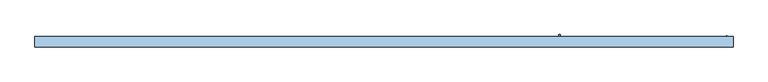
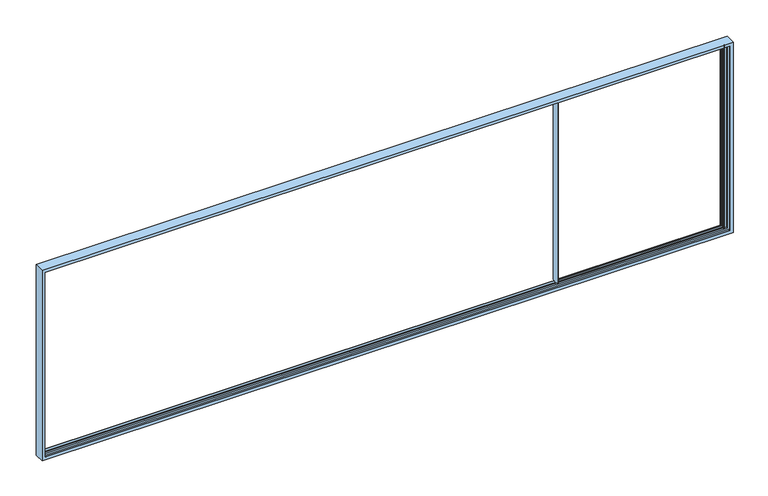
"""IFC4 building model written with IfcOpenShell, lengths in millimetres: window geometry."""

from ifc_helpers import new_model, si_unit, frame, origin, place, context, project, spatial, polyline, circle_curve, faceted_brep, source, transform, mapped, element, save
from ifc_brep_helpers import plane_surface, cylinder_surface, revolved_surface, advanced_brep


def window_27949540(model_context):
    return source(origin(), model_context, "Body", "SolidModel", [
        advanced_brep(
        [(6100.0, 23.3, 843.125), (6100.0, -45.5, 843.125), (6100.0, -45.5, 857.0), (6100.0, -71.5030983, 857.0), (6100.0, -71.5030983, 4239.9999325), (6100.0, -45.5, 4239.9999325), (6100.0, -45.5, 4257.5), (6100.0, 23.3, 4257.5), (6100.0, 23.3, 4239.9999325), (6100.0, 65.3, 4239.9999325), (6100.0, 65.3, 857.0), (6100.0, 23.3, 857.0), (9067.0, 23.3, 843.125), (9067.0, -45.5, 843.125), (9067.0, -45.5, 869.1), (9055.5, -45.5, 869.1), (9055.5, -45.5, 4231.5), (9067.0, -45.5, 4231.5), (9067.0, -45.5, 4257.5), (6111.6, -45.5, 4239.9999325), (6111.6, -45.5, 857.0), (6125.0, -45.5, 869.1), (6125.0, -45.5, 4231.5), (8984.5, -45.5, 4231.5), (8984.5, -45.5, 869.1), (8986.5, -45.5, 4239.9999325), (8991.8815605, -45.5, 4239.9999325), (8991.8815605, -45.5, 860.0000675), (8986.5, -45.5, 860.0000675), (6125.0, 65.3, 857.0), (6125.0, 23.3, 857.0), (6111.6, -71.5030983, 857.0), (6111.6, -71.5030983, 4239.9999325), (6125.0, 65.3, 4239.9999325), (9067.0, 23.3, 869.1), (6125.0, 23.3, 869.1), (8984.5, 23.3, 869.1), (8984.5, 23.3, 4231.5), (6125.0, 23.3, 4231.5), (6125.0, 23.3, 4239.9999325), (9067.0, 23.3, 4257.5), (9067.0, 23.3, 4231.5), (9055.5, 23.3, 4231.5), (9055.5, 23.3, 869.1), (8991.8815605, 23.3, 4239.9999325), (8986.5, 23.3, 4239.9999325), (8986.5, 23.3, 860.0000675), (8991.8815605, 23.3, 860.0000675), (9067.0, 16.0, 869.1), (9067.0, 16.0, 857.0), (9067.0, -38.0, 857.0), (9067.0, -38.0, 869.1), (9055.5, 16.0, 869.1), (9055.5, 16.0, 860.0000675), (8998.5, 16.0, 860.0000675), (8998.5, 16.0, 4239.9999325), (8984.5, 16.0, 4239.9999325), (8984.5, 16.0, 869.1), (6125.0, 16.0, 869.1), (6125.0, 16.0, 4239.9999325), (6113.0, 16.0, 4239.9999325), (6113.0, 16.0, 857.0), (6113.0, -38.0, 857.0), (6113.0, -38.0, 4239.9999325), (8998.5, -38.0, 4239.9999325), (8998.5, -38.0, 860.0000675), (9055.5, -38.0, 860.0000675), (9055.5, -38.0, 869.1), (8984.5, -38.0, 869.1), (8984.5, -38.0, 4231.5), (6125.0, -38.0, 4231.5), (6125.0, -38.0, 869.1), (9067.0, -38.0, 4239.9999325), (9067.0, -38.0, 4231.5), (9055.5, -38.0, 4231.5), (9055.5, -38.0, 4239.9999325), (9055.5, 20.1, 4231.5), (9055.5, 20.1, 4239.9999325), (6125.0, 20.1, 4231.5), (6125.0, 20.1, 4239.9999325), (8984.5, 20.1, 4239.9999325), (8984.5, 20.1, 4231.5), (8984.6310857, 29.8176786, 4239.9999325), (8984.6310857, 29.8176786, 860.0000675), (8984.6310857, 32.374499, 860.0000675), (8989.2836563, 47.5923717, 860.0000675), (8990.2399611, 48.3, 860.0000675), (8993.0, 48.3, 860.0000675), (8993.4747822, 47.6432139, 860.0000675), (8987.739631, 32.2330365, 860.0000675), (8987.626431, 30.2555341, 860.0000675), (8988.9977754, 25.4730879, 860.0000675), (8988.9977754, -47.6730879, 860.0000675), (8987.626431, -52.4555341, 860.0000675), (8987.739631, -54.4330365, 860.0000675), (8993.4747822, -69.8432139, 860.0000675), (8993.0, -70.5, 860.0000675), (8990.2399611, -70.5, 860.0000675), (8989.2836563, -69.7923717, 860.0000675), (8984.6310857, -54.574499, 860.0000675), (8984.6310857, -52.0176786, 860.0000675), (8988.9977754, 25.4730879, 4239.9999325), (8988.9977754, -47.6730879, 4239.9999325), (8984.6310857, -52.0176786, 4239.9999325), (8987.626431, -52.4555341, 4239.9999325), (8987.739631, -54.4330365, 4239.9999325), (8993.4747822, -69.8432139, 4239.9999325), (8993.0, -70.5, 4239.9999325), (8990.2399611, -70.5, 4239.9999325), (8989.2836563, -69.7923717, 4239.9999325), (8984.6310857, -54.574499, 4239.9999325), (8984.6310857, 32.374499, 4239.9999325), (8989.2836563, 47.5923717, 4239.9999325), (8990.2399611, 48.3, 4239.9999325), (8993.0, 48.3, 4239.9999325), (8993.4747822, 47.6432139, 4239.9999325), (8987.739631, 32.2330365, 4239.9999325), (8987.626431, 30.2555341, 4239.9999325), (9067.0, 20.1, 4231.5), (9067.0, 20.1, 4239.9999325)],
        [
            (0, 1),
            (1, 2),
            (2, 3),
            (3, 4),
            (4, 5),
            (5, 6),
            (6, 7),
            (7, 8),
            (8, 9),
            (9, 10),
            (10, 11),
            (11, 0),
            (0, 12),
            (12, 13),
            (13, 1),
            (13, 14),
            (14, 15),
            (15, 16),
            (16, 17),
            (17, 18),
            (18, 6),
            (5, 19),
            (19, 20),
            (20, 2),
            (21, 22),
            (22, 23),
            (23, 24),
            (24, 21),
            (25, 26),
            (26, 27),
            (27, 28),
            (28, 25),
            (10, 29),
            (29, 30),
            (30, 11),
            (20, 31),
            (31, 3),
            (32, 4),
            (31, 32),
            (9, 33),
            (33, 29),
            (34, 12),
            (30, 35),
            (35, 36),
            (36, 37),
            (37, 38),
            (38, 39),
            (39, 8),
            (7, 40),
            (40, 41),
            (41, 42),
            (42, 43),
            (43, 34),
            (44, 45),
            (45, 46),
            (46, 47),
            (47, 44),
            (48, 49),
            (49, 50),
            (50, 51),
            (51, 14),
            (34, 48),
            (48, 52),
            (52, 53),
            (53, 54),
            (54, 55),
            (55, 56),
            (56, 57),
            (57, 58),
            (58, 59),
            (59, 60),
            (60, 61),
            (61, 49),
            (61, 62),
            (62, 50),
            (62, 63),
            (63, 64),
            (64, 65),
            (65, 66),
            (66, 67),
            (67, 51),
            (68, 69),
            (69, 70),
            (70, 71),
            (71, 68),
            (72, 73),
            (73, 74),
            (74, 75),
            (75, 72),
            (67, 15),
            (71, 21),
            (24, 68),
            (43, 52),
            (35, 58),
            (57, 36),
            (66, 53),
            (42, 76),
            (76, 77),
            (77, 75),
            (74, 16),
            (33, 39),
            (38, 78),
            (78, 79),
            (79, 59),
            (56, 80),
            (80, 81),
            (81, 37),
            (45, 82),
            (82, 83),
            (83, 46),
            (83, 84, circle_curve(frame((8989.0894319, 31.0960888, 860.0000675), z_axis=(0.0, 0.0, -1.0), x_axis=(0.0, -1.0, 0.0)), 4.638015)),
            (84, 85),
            (85, 86, circle_curve(frame((8990.2399611, 47.3, 860.0000675), z_axis=(0.0, 0.0, -1.0), x_axis=(0.0, -1.0, 0.0)), 1.0)),
            (86, 87),
            (87, 88, circle_curve(frame((8993.0, 47.8, 860.0000675), z_axis=(0.0, 0.0, -1.0), x_axis=(0.0, -1.0, 0.0)), 0.5)),
            (88, 89, circle_curve(frame((8784.3068415, 116.7162025, 860.0000675), z_axis=(0.0, 0.0, -1.0), x_axis=(0.0, -1.0, 0.0)), 220.2777909)),
            (89, 90, circle_curve(frame((8990.5102161, 31.0824462, 860.0000675), z_axis=(0.0, 0.0, 1.0), x_axis=(0.0, -1.0, 0.0)), 3.0)),
            (90, 91),
            (91, 47, circle_curve(frame((8991.8815605, 26.3, 860.0000675), z_axis=(0.0, 0.0, 1.0), x_axis=(0.0, -1.0, 0.0)), 3.0)),
            (27, 92, circle_curve(frame((8991.8815605, -48.5, 860.0000675), z_axis=(0.0, 0.0, 1.0), x_axis=(0.0, -1.0, 0.0)), 3.0)),
            (92, 93),
            (93, 94, circle_curve(frame((8990.5102161, -53.2824462, 860.0000675), z_axis=(0.0, 0.0, 1.0), x_axis=(0.0, -1.0, 0.0)), 3.0)),
            (94, 95, circle_curve(frame((8784.3068415, -138.9162025, 860.0000675), z_axis=(0.0, 0.0, -1.0), x_axis=(0.0, -1.0, 0.0)), 220.2777909)),
            (95, 96, circle_curve(frame((8993.0, -70.0, 860.0000675), z_axis=(0.0, 0.0, -1.0), x_axis=(0.0, -1.0, 0.0)), 0.5)),
            (96, 97),
            (97, 98, circle_curve(frame((8990.2399611, -69.5, 860.0000675), z_axis=(0.0, 0.0, -1.0), x_axis=(0.0, -1.0, 0.0)), 1.0)),
            (98, 99),
            (99, 100, circle_curve(frame((8989.0894319, -53.2960888, 860.0000675), z_axis=(0.0, 0.0, -1.0), x_axis=(0.0, -1.0, 0.0)), 4.638015)),
            (100, 28),
            (65, 54),
            (101, 44, circle_curve(frame((8991.8815605, 26.3, 4239.9999325), z_axis=(0.0, 0.0, 1.0), x_axis=(0.0, -1.0, 0.0)), 3.0)),
            (91, 101),
            (19, 32),
            (70, 22),
            (23, 69),
            (26, 102, circle_curve(frame((8991.8815605, -48.5, 4239.9999325), z_axis=(0.0, 0.0, 1.0), x_axis=(0.0, -1.0, 0.0)), 3.0)),
            (102, 92),
            (103, 25),
            (100, 103),
            (60, 63),
            (64, 55),
            (102, 104),
            (104, 93),
            (104, 105, circle_curve(frame((8990.5102161, -53.2824462, 4239.9999325), z_axis=(0.0, 0.0, 1.0), x_axis=(0.0, -1.0, 0.0)), 3.0)),
            (105, 94),
            (105, 106, circle_curve(frame((8784.3068415, -138.9162025, 4239.9999325), z_axis=(0.0, 0.0, -1.0), x_axis=(0.0, -1.0, 0.0)), 220.2777909)),
            (106, 95),
            (106, 107, circle_curve(frame((8993.0, -70.0, 4239.9999325), z_axis=(0.0, 0.0, -1.0), x_axis=(0.0, -1.0, 0.0)), 0.5)),
            (107, 96),
            (107, 108),
            (108, 97),
            (108, 109, circle_curve(frame((8990.2399611, -69.5, 4239.9999325), z_axis=(0.0, 0.0, -1.0), x_axis=(0.0, -1.0, 0.0)), 1.0)),
            (109, 98),
            (109, 110),
            (110, 99),
            (110, 103, circle_curve(frame((8989.0894319, -53.2960888, 4239.9999325), z_axis=(0.0, 0.0, -1.0), x_axis=(0.0, -1.0, 0.0)), 4.638015)),
            (82, 111, circle_curve(frame((8989.0894319, 31.0960888, 4239.9999325), z_axis=(0.0, 0.0, -1.0), x_axis=(0.0, -1.0, 0.0)), 4.638015)),
            (111, 84),
            (111, 112),
            (112, 85),
            (112, 113, circle_curve(frame((8990.2399611, 47.3, 4239.9999325), z_axis=(0.0, 0.0, -1.0), x_axis=(0.0, -1.0, 0.0)), 1.0)),
            (113, 86),
            (113, 114),
            (114, 87),
            (114, 115, circle_curve(frame((8993.0, 47.8, 4239.9999325), z_axis=(0.0, 0.0, -1.0), x_axis=(0.0, -1.0, 0.0)), 0.5)),
            (115, 88),
            (115, 116, circle_curve(frame((8784.3068415, 116.7162025, 4239.9999325), z_axis=(0.0, 0.0, -1.0), x_axis=(0.0, -1.0, 0.0)), 220.2777909)),
            (116, 89),
            (116, 117, circle_curve(frame((8990.5102161, 31.0824462, 4239.9999325), z_axis=(0.0, 0.0, 1.0), x_axis=(0.0, -1.0, 0.0)), 3.0)),
            (117, 90),
            (117, 101),
            (18, 40),
            (81, 78),
            (41, 118),
            (118, 76),
            (17, 73),
            (72, 119),
            (119, 118),
            (77, 119),
            (79, 80),
        ],
        [
            plane_surface(frame((6100.0, 23.3, 869.1), z_axis=(-1.0, 0.0, 0.0), x_axis=(0.0, 1.0, 0.0))),
            plane_surface(frame((6100.0, 23.3, 843.125), z_axis=(0.0, 0.0, -1.0), x_axis=(1.0, 0.0, 0.0))),
            plane_surface(frame((6100.0, -45.5, 843.125), z_axis=(0.0, -1.0, 0.0), x_axis=(1.0, 0.0, 0.0))),
            plane_surface(frame((6100.0, -71.5030983, 857.0), z_axis=(0.0, 0.0, -1.0), x_axis=(-1.0, 0.0, 0.0))),
            plane_surface(frame((6100.0, -71.5030983, 4239.9999325), z_axis=(0.0, -1.0, 0.0), x_axis=(0.0, 0.0, -1.0))),
            plane_surface(frame((6125.0, 65.3, 4239.9999325), z_axis=(0.0, 1.0, 0.0), x_axis=(0.0, 0.0, -1.0))),
            plane_surface(frame((6100.0, 23.3, 869.1), z_axis=(0.0, 1.0, 0.0), x_axis=(1.0, 0.0, 0.0))),
            plane_surface(frame((9067.0, 23.3, 869.1), z_axis=(1.0, 0.0, 0.0), x_axis=(0.0, -1.0, 0.0))),
            plane_surface(frame((6100.0, 16.0, 857.0), z_axis=(0.0, -1.0, 0.0), x_axis=(1.0, 0.0, 0.0))),
            plane_surface(frame((6100.0, -38.0, 857.0), z_axis=(0.0, 0.0, 1.0), x_axis=(1.0, 0.0, 0.0))),
            plane_surface(frame((6100.0, -38.0, 869.1), z_axis=(0.0, 1.0, 0.0), x_axis=(1.0, 0.0, 0.0))),
            plane_surface(frame((6100.0, -45.5, 869.1), z_axis=(0.0, 0.0, 1.0), x_axis=(1.0, 0.0, 0.0))),
            plane_surface(frame((6100.0, 16.0, 869.1), z_axis=(0.0, 0.0, 1.0), x_axis=(1.0, 0.0, 0.0))),
            plane_surface(frame((9055.5, -45.5, 4239.9999325), z_axis=(1.0, 0.0, 0.0), x_axis=(0.0, 0.0, -1.0))),
            plane_surface(frame((6125.0, 16.0, 4239.9999325), z_axis=(1.0, 0.0, 0.0), x_axis=(0.0, 0.0, -1.0))),
            plane_surface(frame((8984.5, 23.3, 4239.9999325), z_axis=(-1.0, 0.0, 0.0), x_axis=(0.0, 0.0, -1.0))),
            plane_surface(frame((8984.6310857, 29.8176786, 4239.9999325), z_axis=(-0.9612616959382253, -0.27563735581732557, 0.0), x_axis=(0.0, 0.0, -1.0))),
            plane_surface(frame((8984.5, 100.0, 860.0000675), z_axis=(0.0, 0.0, -1.0), x_axis=(0.0, -1.0, 0.0))),
            revolved_surface(polyline([(8991.8815605, 23.3, 860.0000675000001), (8991.8815605, 23.3, 4239.9999325)]), (8991.8815605, 26.3, 4239.9999325), (0.0, 0.0, -1.0)),
            plane_surface(frame((6111.6, -71.5030983, 4239.9999325), z_axis=(1.0, 0.0, 0.0), x_axis=(0.0, 0.0, -1.0))),
            plane_surface(frame((6125.0, -45.5, 4239.9999325), z_axis=(1.0, 0.0, 0.0), x_axis=(0.0, 0.0, -1.0))),
            plane_surface(frame((8984.5, -38.0, 4239.9999325), z_axis=(-1.0, 0.0, 0.0), x_axis=(0.0, 0.0, -1.0))),
            revolved_surface(polyline([(8991.8815605, -51.5, 860.0000675000001), (8991.8815605, -51.5, 4239.9999325)]), (8991.8815605, -48.5, 4239.9999325), (0.0, 0.0, -1.0)),
            plane_surface(frame((8986.5, -45.5, 4239.9999325), z_axis=(-0.9612616959373593, 0.2756373558203459, 0.0), x_axis=(0.0, 0.0, -1.0))),
            plane_surface(frame((6113.0, -38.0, 4239.9999325), z_axis=(1.0, 0.0, 0.0), x_axis=(0.0, 0.0, -1.0))),
            plane_surface(frame((8998.5, 16.0, 4239.9999325), z_axis=(-1.0, 0.0, 0.0), x_axis=(0.0, 0.0, -1.0))),
            plane_surface(frame((8987.626431, -52.4555341, 4239.9999325), z_axis=(0.9612616959377401, -0.27563735581901766, 0.0), x_axis=(0.0, 0.0, -1.0))),
            revolved_surface(polyline([(8990.5102161, -56.2824462, 860.0000675000001), (8990.5102161, -56.2824462, 4239.9999325)]), (8990.5102161, -53.2824462, 4239.9999325), (0.0, 0.0, -1.0)),
            cylinder_surface(frame((8784.3068415, -138.9162025, 4239.9999325), z_axis=(0.0, 0.0, 1.0), x_axis=(0.0, -1.0, 0.0)), 220.2777909),
            cylinder_surface(frame((8993.0, -70.0, 4239.9999325), z_axis=(0.0, 0.0, 1.0), x_axis=(0.0, -1.0, 0.0)), 0.5),
            plane_surface(frame((8990.2399611, -70.5, 4239.9999325), z_axis=(0.0, -1.0, 0.0), x_axis=(0.0, 0.0, -1.0))),
            cylinder_surface(frame((8990.2399611, -69.5, 4239.9999325), z_axis=(0.0, 0.0, 1.0), x_axis=(0.0, -1.0, 0.0)), 1.0),
            plane_surface(frame((8984.6310857, -54.574499, 4239.9999325), z_axis=(-0.9563047559631576, -0.29237170472233776, 0.0), x_axis=(0.0, 0.0, -1.0))),
            cylinder_surface(frame((8989.0894319, -53.2960888, 4239.9999325), z_axis=(0.0, 0.0, 1.0), x_axis=(0.0, -1.0, 0.0)), 4.638015),
            cylinder_surface(frame((8989.0894319, 31.0960888, 4239.9999325), z_axis=(0.0, 0.0, 1.0), x_axis=(0.0, -1.0, 0.0)), 4.638015),
            plane_surface(frame((8989.2836563, 47.5923717, 4239.9999325), z_axis=(-0.9563047559631176, 0.2923717047224681, 0.0), x_axis=(0.0, 0.0, -1.0))),
            cylinder_surface(frame((8990.2399611, 47.3, 4239.9999325), z_axis=(0.0, 0.0, 1.0), x_axis=(0.0, -1.0, 0.0)), 1.0),
            plane_surface(frame((8993.0, 48.3, 4239.9999325), z_axis=(0.0, 1.0, 0.0), x_axis=(0.0, 0.0, -1.0))),
            cylinder_surface(frame((8993.0, 47.8, 4239.9999325), z_axis=(0.0, 0.0, 1.0), x_axis=(0.0, -1.0, 0.0)), 0.5),
            cylinder_surface(frame((8784.3068415, 116.7162025, 4239.9999325), z_axis=(0.0, 0.0, 1.0), x_axis=(0.0, -1.0, 0.0)), 220.2777909),
            revolved_surface(polyline([(8990.5102161, 28.0824462, 860.0000675000001), (8990.5102161, 28.0824462, 4239.9999325)]), (8990.5102161, 31.0824462, 4239.9999325), (0.0, 0.0, -1.0)),
            plane_surface(frame((8988.9977754, 25.4730879, 4239.9999325), z_axis=(0.9612616959385012, 0.2756373558163634, 0.0), x_axis=(0.0, 0.0, -1.0))),
            plane_surface(frame((6100.0, -71.5030983, 4239.9999325), z_axis=(0.0, 0.0, 1.0), x_axis=(1.0, 0.0, 0.0))),
            plane_surface(frame((6100.0, -45.5, 4257.5), z_axis=(0.0, 0.0, 1.0), x_axis=(1.0, 0.0, 0.0))),
            plane_surface(frame((6100.0, 23.3, 4231.5), z_axis=(0.0, 0.0, -1.0), x_axis=(1.0, 0.0, 0.0))),
            plane_surface(frame((9067.0, 23.3, 4257.5), z_axis=(1.0, 0.0, 0.0), x_axis=(0.0, -1.0, 0.0))),
            plane_surface(frame((8984.5, 100.0, 4239.9999325), z_axis=(0.0, 0.0, 1.0), x_axis=(0.0, -1.0, 0.0))),
            plane_surface(frame((6100.0, -38.0, 4231.5), z_axis=(0.0, 0.0, -1.0), x_axis=(1.0, 0.0, 0.0))),
            plane_surface(frame((6100.0, 20.1, 4239.9999325), z_axis=(0.0, 0.0, -1.0), x_axis=(1.0, 0.0, 0.0))),
            plane_surface(frame((6100.0, 20.1, 4231.5), z_axis=(0.0, -1.0, 0.0), x_axis=(1.0, 0.0, 0.0))),
        ],
        [
            (0, [[1, 2, 3, 4, 5, 6, 7, 8, 9, 10, 11, 12]]),
            (1, [[-1, 13, 14, 15]]),
            (2, [[16, 17, 18, 19, 20, 21, -6, 22, 23, 24, -2, -15], [25, 26, 27, 28], [29, 30, 31, 32]]),
            (3, [[33, 34, 35, -11]]),
            (3, [[36, 37, -3, -24]]),
            (4, [[38, -4, -37, 39]]),
            (5, [[40, 41, -33, -10]]),
            (6, [[42, -13, -12, -35, 43, 44, 45, 46, 47, 48, -8, 49, 50, 51, 52, 53], [54, 55, 56, 57]]),
            (7, [[58, 59, 60, 61, -16, -14, -42, 62]]),
            (8, [[-58, 63, 64, 65, 66, 67, 68, 69, 70, 71, 72, 73]]),
            (9, [[-59, -73, 74, 75]]),
            (10, [[-60, -75, 76, 77, 78, 79, 80, 81], [82, 83, 84, 85]]),
            (10, [[86, 87, 88, 89]]),
            (11, [[-61, -81, 90, -17]]),
            (11, [[91, -28, 92, -85]]),
            (12, [[-62, -53, 93, -63]]),
            (12, [[94, -69, 95, -44]]),
            (13, [[96, -64, -93, -52, 97, 98, 99, -88, 100, -18, -90, -80]]),
            (14, [[-41, 101, -47, 102, 103, 104, -70, -94, -43, -34]]),
            (15, [[-68, 105, 106, 107, -45, -95]]),
            (16, [[-55, 108, 109, 110]]),
            (17, [[-110, 111, 112, 113, 114, 115, 116, 117, 118, 119, -56]]),
            (17, [[120, 121, 122, 123, 124, 125, 126, 127, 128, 129, -31]]),
            (17, [[130, -65, -96, -79]]),
            (18, [[131, -57, -119, 132]]),
            (19, [[-23, 133, -39, -36]]),
            (20, [[-91, -84, 134, -25]]),
            (21, [[-92, -27, 135, -82]]),
            (22, [[-30, 136, 137, -120]]),
            (23, [[138, -32, -129, 139]]),
            (24, [[-76, -74, -72, 140]]),
            (25, [[-130, -78, 141, -66]]),
            (26, [[142, 143, -121, -137]]),
            (27, [[144, 145, -122, -143]]),
            (28, [[146, 147, -123, -145]]),
            (29, [[148, 149, -124, -147]]),
            (30, [[150, 151, -125, -149]]),
            (31, [[152, 153, -126, -151]]),
            (32, [[154, 155, -127, -153]]),
            (33, [[156, -139, -128, -155]]),
            (34, [[157, 158, -111, -109]]),
            (35, [[159, 160, -112, -158]]),
            (36, [[161, 162, -113, -160]]),
            (37, [[163, 164, -114, -162]]),
            (38, [[165, 166, -115, -164]]),
            (39, [[167, 168, -116, -166]]),
            (40, [[169, 170, -117, -168]]),
            (41, [[171, -132, -118, -170]]),
            (42, [[-38, -133, -22, -5]]),
            (42, [[-40, -9, -48, -101]]),
            (43, [[-7, -21, 172, -49]]),
            (44, [[-46, -107, 173, -102]]),
            (44, [[174, 175, -97, -51]]),
            (45, [[-20, 176, -86, 177, 178, -174, -50, -172]]),
            (46, [[-131, -171, -169, -167, -165, -163, -161, -159, -157, -108, -54]]),
            (46, [[-138, -156, -154, -152, -150, -148, -146, -144, -142, -136, -29]]),
            (47, [[-26, -134, -83, -135]]),
            (47, [[-176, -19, -100, -87]]),
            (48, [[-177, -89, -99, 179]]),
            (48, [[180, -105, -67, -141, -77, -140, -71, -104]]),
            (49, [[-178, -179, -98, -175]]),
            (49, [[-180, -103, -173, -106]]),
        ],
    ),
        faceted_brep([(-2880.8, 26.3, 4280.8), (-2880.8, -48.0983618, 4280.8), (-2880.8, -48.0983618, 819.2), (-2880.8, 26.3, 819.2), (9080.8, -48.0983618, 819.2), (9080.8, 26.3, 819.2), (9080.8, -48.0983618, 4280.8), (9043.0, -48.0983618, 857.0), (9043.0, -48.0983618, 4243.0), (-2843.0, -48.0983618, 4243.0), (-2843.0, -48.0983618, 857.0), (9080.8, 26.3, 4280.8), (-2843.0, 26.3, 857.0), (-2843.0, 26.3, 4243.0), (9043.0, 26.3, 4243.0), (9043.0, 26.3, 857.0), (-2843.0, 30.0, 4243.0), (-2843.0, 30.0, 857.0), (9043.0, 30.0, 857.0), (9043.0, 30.0, 4243.0), (-2900.0, 30.0, 800.0), (-2900.0, 30.0, 4300.0), (9100.0, 30.0, 4300.0), (9100.0, 30.0, 800.0), (-2900.0, -150.0, 4300.0), (-2900.0, -150.0, 800.0), (9100.0, -150.0, 800.0), (9100.0, -150.0, 4300.0), (-2843.0, -150.0, 857.0), (-2843.0, -150.0, 4243.0), (9043.0, -150.0, 4243.0), (9043.0, -150.0, 857.0), (-2843.0, -146.3, 4243.0), (-2843.0, -146.3, 857.0), (9043.0, -146.3, 857.0), (9043.0, -146.3, 4243.0), (-2880.5221068, -146.3, 819.4778932), (-2880.5221068, -146.3, 4280.5221068), (9080.5221068, -146.3, 4280.5221068), (9080.5221068, -146.3, 819.4778932), (-2880.5221068, -71.7983618, 4280.5221068), (-2880.5221068, -71.7983618, 819.4778932), (9080.5221068, -71.7983618, 819.4778932), (9080.5221068, -71.7983618, 4280.5221068), (-2843.0, -71.7983618, 857.0), (-2843.0, -71.7983618, 4243.0), (9043.0, -71.7983618, 4243.0), (9043.0, -71.7983618, 857.0)], [[[0, 1, 2, 3]], [[3, 2, 4, 5]], [[2, 1, 6, 4], [7, 8, 9, 10]], [[5, 4, 6, 11]], [[3, 5, 11, 0], [12, 13, 14, 15]], [[16, 13, 12, 17]], [[17, 12, 15, 18]], [[18, 15, 14, 19]], [[20, 21, 22, 23], [17, 18, 19, 16]], [[24, 21, 20, 25]], [[25, 20, 23, 26]], [[26, 23, 22, 27]], [[25, 26, 27, 24], [28, 29, 30, 31]], [[32, 29, 28, 33]], [[33, 28, 31, 34]], [[34, 31, 30, 35]], [[36, 37, 38, 39], [34, 35, 32, 33]], [[40, 37, 36, 41]], [[41, 36, 39, 42]], [[42, 39, 38, 43]], [[42, 43, 40, 41], [44, 45, 46, 47]], [[9, 45, 44, 10]], [[10, 44, 47, 7]], [[7, 47, 46, 8]], [[11, 6, 1, 0]], [[19, 14, 13, 16]], [[27, 22, 21, 24]], [[35, 30, 29, 32]], [[43, 38, 37, 40]], [[8, 46, 45, 9]]]),
    ])


if __name__ == "__main__":
    model = new_model("IFC4")
    model_context = context("Model", 3, world=origin())
    ifc_project = project(units=[si_unit("LENGTHUNIT", "METRE", prefix="MILLI")], contexts=[model_context])
    site = spatial("IfcSite", under=ifc_project)
    building = spatial("IfcBuilding", under=site)
    placement = place(None, origin())
    window_shape = window_27949540(model_context)
    element("IfcWindow", 1, at=placement, inside=building, context=model_context, shape_type="MappedRepresentation", body=[
        mapped(window_shape, transform((0.0, 0.0, 0.0), x_axis=(1.0, 0.0, 0.0), y_axis=(0.0, 1.0, 0.0), z_axis=(0.0, 0.0, 1.0))),
    ])
    save(model, "model.ifc")
